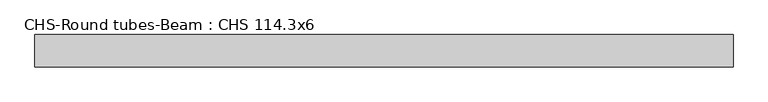
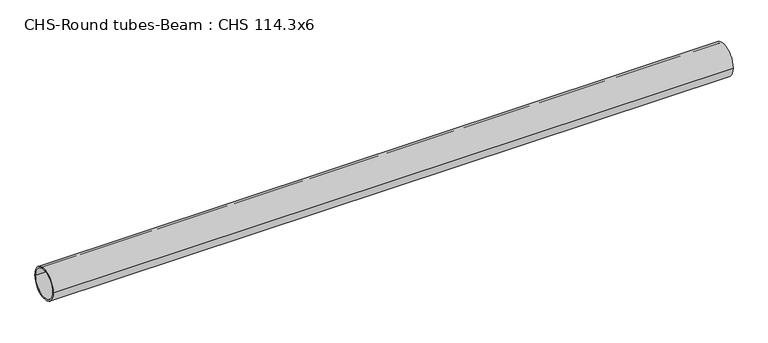
"""IFC4 building model written with IfcOpenShell, lengths in millimetres: beam geometry, CHS-Round tubes-Beam : CHS 114.3x6."""

from ifc_helpers import new_model, si_unit, point, frame, origin, origin_2d, place, context, project, spatial, circle_curve, trimmed, segment, composite_curve, outline, extrude, source, transform, mapped, element, save


def chs_round_tubes_beam_chs_114_3x6_af725c11(model_context):
    return source(origin(), model_context, "Body", "SweptSolid", [
        extrude(outline(composite_curve([segment(trimmed(circle_curve(origin_2d(), 57.15), [point((57.15, 0.0))], [point((-57.15, 0.0))], False, "CARTESIAN"), True, "CONTINUOUS"), segment(trimmed(circle_curve(origin_2d(), 57.15), [point((-57.15, 0.0))], [point((57.15, 0.0))], False, "CARTESIAN"), True, "CONTINUOUS")], self_intersect=False), holes=[composite_curve([segment(trimmed(circle_curve(origin_2d(), 51.15), [point((51.15, 0.0))], [point((-51.15, 0.0))], True, "CARTESIAN"), True, "CONTINUOUS"), segment(trimmed(circle_curve(origin_2d(), 51.15), [point((-51.15, 0.0))], [point((51.15, 0.0))], True, "CARTESIAN"), True, "CONTINUOUS")], self_intersect=False)]), frame((-1211.4492281, 0.0, 0.0), z_axis=(1.0, 0.0, 0.0), x_axis=(0.0, 1.0, 0.0)), (0.0, 0.0, 1.0), 2451.9432399),
    ])


if __name__ == "__main__":
    model = new_model("IFC4")
    model_context = context("Model", 3, world=origin())
    ifc_project = project(units=[si_unit("LENGTHUNIT", "METRE", prefix="MILLI")], contexts=[model_context])
    site = spatial("IfcSite", under=ifc_project)
    building = spatial("IfcBuilding", under=site)
    placement = place(None, origin())
    chs_round_tubes_beam_chs_114_3x6_shape = chs_round_tubes_beam_chs_114_3x6_af725c11(model_context)
    element("IfcBeam", 1, ObjectType="CHS-Round tubes-Beam : CHS 114.3x6", at=placement, inside=building, context=model_context, shape_type="MappedRepresentation", body=[
        mapped(chs_round_tubes_beam_chs_114_3x6_shape, transform((0.0, 0.0, 0.0), x_axis=(1.0, 0.0, 0.0), y_axis=(0.0, 1.0, 0.0), z_axis=(0.0, 0.0, 1.0))),
    ])
    save(model, "model.ifc")
